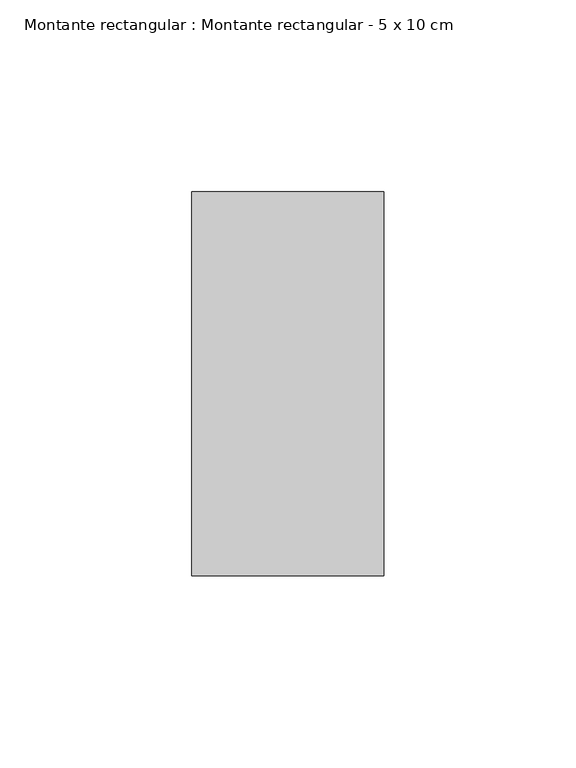
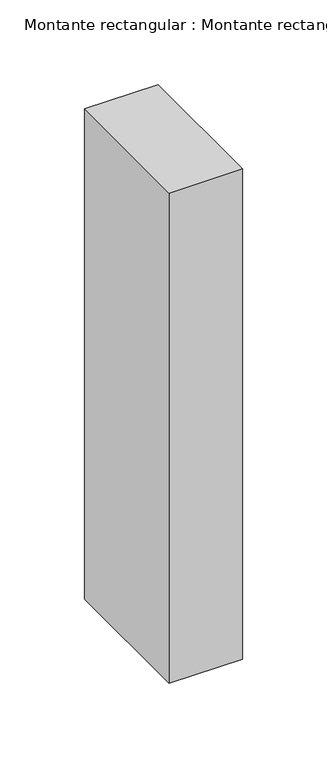
"""IFC4 building model written with IfcOpenShell, lengths in millimetres: member geometry, Montante rectangular : Montante rectangular - 5 x 10 cm."""

from ifc_helpers import new_model, si_unit, frame, origin, place, context, project, spatial, polyline, outline, extrude, source, transform, mapped, element, save


def montante_rectangular_montante_rectangular_5_x_10_cm_b2bae156(model_context):
    return source(origin(), model_context, "Body", "SweptSolid", [
        extrude(outline(polyline([(25.0, 50.0), (25.0, -50.0), (-25.0, -50.0), (-25.0, 50.0), (25.0, 50.0)])), frame((0.0, 0.0, -353.3333333), z_axis=(0.0, 0.0, 1.0), x_axis=(1.0, 0.0, 0.0)), (0.0, 0.0, 1.0), 353.3333333),
    ])


if __name__ == "__main__":
    model = new_model("IFC4")
    model_context = context("Model", 3, world=origin())
    ifc_project = project(units=[si_unit("LENGTHUNIT", "METRE", prefix="MILLI")], contexts=[model_context])
    site = spatial("IfcSite", under=ifc_project)
    building = spatial("IfcBuilding", under=site)
    placement = place(None, origin())
    montante_rectangular_montante_rectangular_5_x_10_cm_shape = montante_rectangular_montante_rectangular_5_x_10_cm_b2bae156(model_context)
    element("IfcMember", 1, ObjectType="Montante rectangular : Montante rectangular - 5 x 10 cm", at=placement, inside=building, context=model_context, shape_type="MappedRepresentation", body=[
        mapped(montante_rectangular_montante_rectangular_5_x_10_cm_shape, transform((0.0, 0.0, 0.0), x_axis=(1.0, 0.0, 0.0), y_axis=(0.0, 1.0, 0.0), z_axis=(0.0, 0.0, 1.0))),
    ])
    save(model, "model.ifc")
